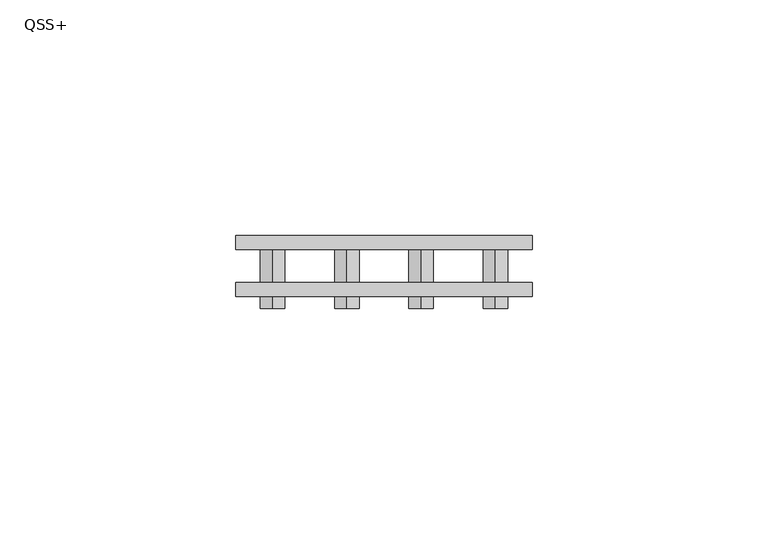
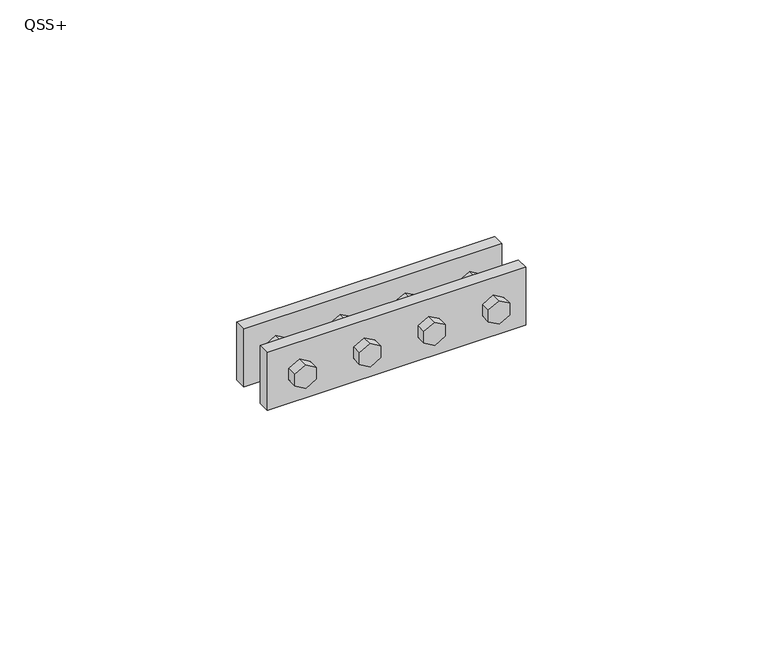
"""IFC4 building model written with IfcOpenShell, lengths in millimetres: proxy geometry, QSS+."""

from ifc_helpers import new_model, si_unit, origin, place, context, project, spatial, faceted_brep, source, transform, mapped, element, save


def qss_8ee99597(model_context):
    return source(origin(), model_context, "Body", "Brep", [
        faceted_brep([(31.5, -6.5, 0.0), (31.5, -6.5, 15.0), (-31.5, -6.5, 15.0), (-31.5, -6.5, 0.0), (-26.2230762, -6.5, 6.0), (-26.2230762, -6.5, 9.0), (-23.625, -6.5, 10.5), (-21.0269238, -6.5, 9.0), (-21.0269238, -6.5, 6.0), (-23.625, -6.5, 4.5), (-10.4730762, -6.5, 6.0), (-10.4730762, -6.5, 9.0), (-7.875, -6.5, 10.5), (-5.2769238, -6.5, 9.0), (-5.2769238, -6.5, 6.0), (-7.875, -6.5, 4.5), (23.625, -6.5, 10.5), (26.2230762, -6.5, 9.0), (26.2230762, -6.5, 6.0), (23.625, -6.5, 4.5), (21.0269238, -6.5, 6.0), (21.0269238, -6.5, 9.0), (7.875, -6.5, 10.5), (10.4730762, -6.5, 9.0), (10.4730762, -6.5, 6.0), (7.875, -6.5, 4.5), (5.2769238, -6.5, 6.0), (5.2769238, -6.5, 9.0), (31.5, -3.5, 0.0), (-31.5, -3.5, 0.0), (-31.5, -3.5, 15.0), (31.5, -3.5, 15.0), (-26.2230762, -3.5, 9.0), (-26.2230762, -3.5, 6.0), (-23.625, -3.5, 4.5), (-21.0269238, -3.5, 6.0), (-21.0269238, -3.5, 9.0), (-23.625, -3.5, 10.5), (-10.4730762, -3.5, 9.0), (-10.4730762, -3.5, 6.0), (-7.875, -3.5, 4.5), (-5.2769238, -3.5, 6.0), (-5.2769238, -3.5, 9.0), (-7.875, -3.5, 10.5), (26.2230762, -3.5, 9.0), (23.625, -3.5, 10.5), (21.0269238, -3.5, 9.0), (21.0269238, -3.5, 6.0), (23.625, -3.5, 4.5), (26.2230762, -3.5, 6.0), (10.4730762, -3.5, 9.0), (7.875, -3.5, 10.5), (5.2769238, -3.5, 9.0), (5.2769238, -3.5, 6.0), (7.875, -3.5, 4.5), (10.4730762, -3.5, 6.0), (31.5, 6.5, 0.0), (-31.5, 6.5, 0.0), (-31.5, 6.5, 15.0), (31.5, 6.5, 15.0), (31.5, 3.5, 0.0), (31.5, 3.5, 15.0), (-31.5, 3.5, 15.0), (-31.5, 3.5, 0.0), (-26.2230762, 3.5, 6.0), (-26.2230762, 3.5, 9.0), (-23.625, 3.5, 10.5), (-21.0269238, 3.5, 9.0), (-21.0269238, 3.5, 6.0), (-23.625, 3.5, 4.5), (-10.4730762, 3.5, 6.0), (-10.4730762, 3.5, 9.0), (-7.875, 3.5, 10.5), (-5.2769238, 3.5, 9.0), (-5.2769238, 3.5, 6.0), (-7.875, 3.5, 4.5), (23.625, 3.5, 10.5), (26.2230762, 3.5, 9.0), (26.2230762, 3.5, 6.0), (23.625, 3.5, 4.5), (21.0269238, 3.5, 6.0), (21.0269238, 3.5, 9.0), (7.875, 3.5, 10.5), (10.4730762, 3.5, 9.0), (10.4730762, 3.5, 6.0), (7.875, 3.5, 4.5), (5.2769238, 3.5, 6.0), (5.2769238, 3.5, 9.0), (-26.2230762, -9.0, 9.0), (-26.2230762, -9.0, 6.0), (-23.625, -9.0, 4.5), (-21.0269238, -9.0, 6.0), (-21.0269238, -9.0, 9.0), (-23.625, -9.0, 10.5), (-10.4730762, -9.0, 9.0), (-10.4730762, -9.0, 6.0), (-7.875, -9.0, 4.5), (-5.2769238, -9.0, 6.0), (-5.2769238, -9.0, 9.0), (-7.875, -9.0, 10.5), (26.2230762, -9.0, 9.0), (23.625, -9.0, 10.5), (21.0269238, -9.0, 9.0), (21.0269238, -9.0, 6.0), (23.625, -9.0, 4.5), (26.2230762, -9.0, 6.0), (10.4730762, -9.0, 9.0), (7.875, -9.0, 10.5), (5.2769238, -9.0, 9.0), (5.2769238, -9.0, 6.0), (7.875, -9.0, 4.5), (10.4730762, -9.0, 6.0)], [[[0, 1, 2, 3], [4, 5, 6, 7, 8, 9], [10, 11, 12, 13, 14, 15], [16, 17, 18, 19, 20, 21], [22, 23, 24, 25, 26, 27]], [[28, 29, 30, 31], [32, 33, 34, 35, 36, 37], [38, 39, 40, 41, 42, 43], [44, 45, 46, 47, 48, 49], [50, 51, 52, 53, 54, 55]], [[0, 3, 29, 28]], [[3, 2, 30, 29]], [[2, 1, 31, 30]], [[1, 0, 28, 31]], [[56, 57, 58, 59]], [[60, 61, 62, 63], [64, 65, 66, 67, 68, 69], [70, 71, 72, 73, 74, 75], [76, 77, 78, 79, 80, 81], [82, 83, 84, 85, 86, 87]], [[57, 56, 60, 63]], [[58, 57, 63, 62]], [[59, 58, 62, 61]], [[56, 59, 61, 60]], [[88, 89, 90, 91, 92, 93]], [[94, 95, 96, 97, 98, 99]], [[100, 101, 102, 103, 104, 105]], [[106, 107, 108, 109, 110, 111]], [[89, 88, 5, 4]], [[32, 65, 64, 33]], [[90, 89, 4, 9]], [[33, 64, 69, 34]], [[91, 90, 9, 8]], [[34, 69, 68, 35]], [[92, 91, 8, 7]], [[35, 68, 67, 36]], [[93, 92, 7, 6]], [[36, 67, 66, 37]], [[88, 93, 6, 5]], [[65, 32, 37, 66]], [[95, 94, 11, 10]], [[38, 71, 70, 39]], [[96, 95, 10, 15]], [[39, 70, 75, 40]], [[97, 96, 15, 14]], [[40, 75, 74, 41]], [[98, 97, 14, 13]], [[41, 74, 73, 42]], [[99, 98, 13, 12]], [[42, 73, 72, 43]], [[94, 99, 12, 11]], [[71, 38, 43, 72]], [[101, 100, 17, 16]], [[44, 77, 76, 45]], [[102, 101, 16, 21]], [[45, 76, 81, 46]], [[103, 102, 21, 20]], [[46, 81, 80, 47]], [[104, 103, 20, 19]], [[47, 80, 79, 48]], [[105, 104, 19, 18]], [[48, 79, 78, 49]], [[100, 105, 18, 17]], [[77, 44, 49, 78]], [[107, 106, 23, 22]], [[50, 83, 82, 51]], [[108, 107, 22, 27]], [[51, 82, 87, 52]], [[109, 108, 27, 26]], [[52, 87, 86, 53]], [[110, 109, 26, 25]], [[53, 86, 85, 54]], [[111, 110, 25, 24]], [[54, 85, 84, 55]], [[106, 111, 24, 23]], [[83, 50, 55, 84]]]),
    ])


if __name__ == "__main__":
    model = new_model("IFC4")
    model_context = context("Model", 3, world=origin())
    ifc_project = project(units=[si_unit("LENGTHUNIT", "METRE", prefix="MILLI")], contexts=[model_context])
    site = spatial("IfcSite", under=ifc_project)
    building = spatial("IfcBuilding", under=site)
    placement = place(None, origin())
    qss_shape = qss_8ee99597(model_context)
    element("IfcBuildingElementProxy", 1, Name="QSS+", ObjectType="QSS+", at=placement, inside=building, context=model_context, shape_type="MappedRepresentation", body=[
        mapped(qss_shape, transform((0.0, 0.0, 0.0), x_axis=(1.0, 0.0, 0.0), y_axis=(0.0, 1.0, 0.0), z_axis=(0.0, 0.0, 1.0))),
    ])
    save(model, "model.ifc")
